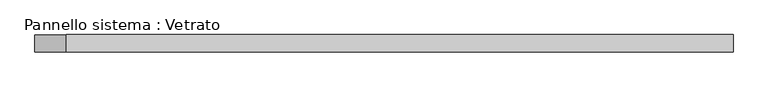
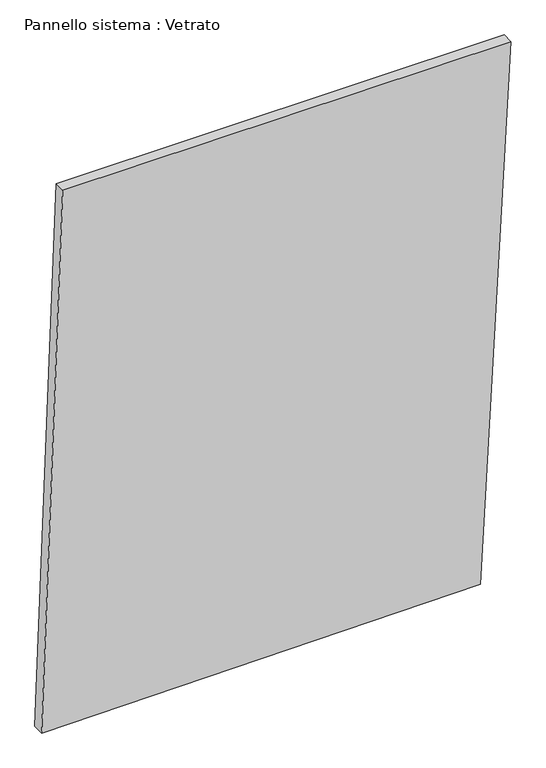
"""IFC4 building model written with IfcOpenShell, lengths in millimetres: plate geometry, Pannello sistema : Vetrato."""

from ifc_helpers import new_model, si_unit, frame, origin, place, context, project, spatial, polyline, outline, extrude, source, transform, mapped, element, save


def pannello_sistema_vetrato_2018111c(model_context):
    return source(origin(), model_context, "Body", "SweptSolid", [
        extrude(outline(polyline([(0.0, -608.7134897), (9.939444, 528.730829), (1467.9880366, 608.7134897), (1467.9880366, -554.0454148), (0.0, -608.7134897)])), frame((0.0, -15.0, 0.0), z_axis=(0.0, 1.0, 0.0), x_axis=(0.0, 0.0, 1.0)), (0.0, 0.0, 1.0), 30.0),
    ])


if __name__ == "__main__":
    model = new_model("IFC4")
    model_context = context("Model", 3, world=origin())
    ifc_project = project(units=[si_unit("LENGTHUNIT", "METRE", prefix="MILLI")], contexts=[model_context])
    site = spatial("IfcSite", under=ifc_project)
    building = spatial("IfcBuilding", under=site)
    placement = place(None, origin())
    pannello_sistema_vetrato_shape = pannello_sistema_vetrato_2018111c(model_context)
    element("IfcPlate", 1, ObjectType="Pannello sistema : Vetrato", at=placement, inside=building, context=model_context, shape_type="MappedRepresentation", body=[
        mapped(pannello_sistema_vetrato_shape, transform((0.0, 0.0, 0.0), x_axis=(1.0, 0.0, 0.0), y_axis=(0.0, 1.0, 0.0), z_axis=(0.0, 0.0, 1.0))),
    ])
    save(model, "model.ifc")
